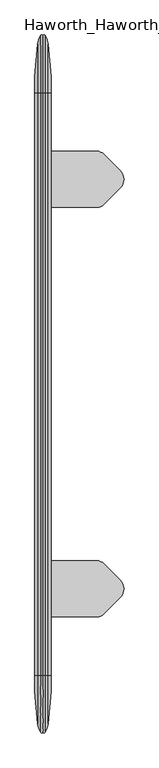
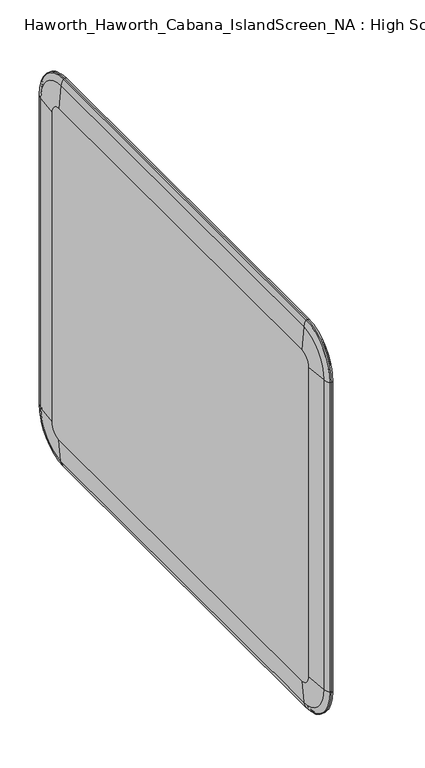
"""IFC4 building model written with IfcOpenShell, lengths in millimetres: furniture geometry, Haworth_Haworth_Cabana_IslandScreen_NA : High Screen."""

import ifcopenshell
import ifcopenshell.guid

model = None  # the IFC model being written
_history = None  # IfcOwnerHistory: only IFC2X3 demands one
_inside = {}  # id of a spatial element -> (the spatial element, [elements in it])
_under = {}  # id of a project, library or spatial element -> (it, [spatial elements below it])
_declared = {}  # id of a project -> (the project, [libraries it declares])
_typed = {}  # id of a type object -> (the type object, [elements of that type])
_made_of = {}  # id of a material, layer set ... -> (it, [elements and type objects made of it])


def new_model(schema):
    """Start an empty IFC model of exactly this schema.

    Asked for "IFC4X3", IfcOpenShell would pick the latest addendum, in which some entities
    have other attributes; the version numbers below select the first issue.
    IFC2X3 requires an IfcOwnerHistory on every rooted entity: one is made here for all.
    """
    global model, _history
    if schema == "IFC4X3":
        model = ifcopenshell.file(schema_version=(4, 3, 0, 0))
    else:
        model = ifcopenshell.file(schema=schema)
    _inside.clear()
    _under.clear()
    _declared.clear()
    _typed.clear()
    _made_of.clear()
    _history = None
    if model.schema == "IFC2X3":
        org = make("IfcOrganization", Name="unknown")
        user = make(
            "IfcPersonAndOrganization",
            ThePerson=make("IfcPerson", FamilyName="unknown"),
            TheOrganization=org,
        )
        app = make(
            "IfcApplication",
            ApplicationDeveloper=org,
            Version="unknown",
            ApplicationFullName="unknown",
            ApplicationIdentifier="unknown",
        )
        _history = make(
            "IfcOwnerHistory",
            OwningUser=user,
            OwningApplication=app,
            ChangeAction="ADDED",
            CreationDate=0,
        )
    return model


def make(cls, **values):
    """One entity of the class cls with the attributes given. An attribute that is None is left unset."""
    return model.create_entity(
        cls, **{name: value for name, value in values.items() if value is not None}
    )


def rooted(cls, **values):
    """An entity with a GlobalId (a new one), such as an element, a storey or a relation."""
    return make(cls, GlobalId=ifcopenshell.guid.new(), OwnerHistory=_history, **values)


def si_unit(unit_type, name, prefix=None):
    """IfcSIUnit, for example si_unit("LENGTHUNIT", "METRE", prefix="MILLI")."""
    return make("IfcSIUnit", UnitType=unit_type, Prefix=prefix, Name=name)


def assignment(units):
    """IfcUnitAssignment: the units of a project."""
    return None if units is None else make("IfcUnitAssignment", Units=units)


def point(xyz):
    """IfcCartesianPoint."""
    return None if xyz is None else make("IfcCartesianPoint", Coordinates=xyz)


def direction(xyz):
    """IfcDirection."""
    return None if xyz is None else make("IfcDirection", DirectionRatios=xyz)


def frame(location, z_axis=None, x_axis=None):
    """IfcAxis2Placement3D, a coordinate frame: its origin and axes. An axis left out is left unset."""
    return make(
        "IfcAxis2Placement3D",
        Location=point(location),
        Axis=direction(z_axis),
        RefDirection=direction(x_axis),
    )


def frame_2d(location, x_axis=None):
    """IfcAxis2Placement2D, a coordinate frame in the plane: its origin and x axis."""
    return make(
        "IfcAxis2Placement2D", Location=point(location), RefDirection=direction(x_axis)
    )


def origin():
    """The frame at (0, 0, 0) with its axes left unset."""
    return frame((0.0, 0.0, 0.0))


def place(relative_to, where):
    """IfcLocalPlacement: puts the frame where relative to a parent placement (None: the world)."""
    return make(
        "IfcLocalPlacement", PlacementRelTo=relative_to, RelativePlacement=where
    )


def context(
    kind, dimensions, precision=None, world=None, true_north=None, identifier=None
):
    """IfcGeometricRepresentationContext, for example the 3D "Model" context."""
    return make(
        "IfcGeometricRepresentationContext",
        ContextIdentifier=identifier,
        ContextType=kind,
        CoordinateSpaceDimension=dimensions,
        Precision=precision,
        WorldCoordinateSystem=world,
        TrueNorth=true_north,
    )


def project(units=None, contexts=None):
    """IfcProject with its units and contexts."""
    return rooted(
        "IfcProject",
        Name="project",
        RepresentationContexts=contexts,
        UnitsInContext=assignment(units),
    )


def spatial(cls, under=None, at=None, **own):
    """A site, building, storey or space (cls), placed at a placement, below another one or the project."""
    s = rooted(cls, ObjectPlacement=at, **own)
    if under is not None:
        _under.setdefault(under.id(), (under, []))[1].append(s)
    return s


def polyline(points):
    """IfcPolyline through the points."""
    return make("IfcPolyline", Points=[point(p) for p in points])


def circle_curve(where, radius):
    """IfcCircle in the frame where."""
    return make("IfcCircle", Position=where, Radius=radius)


def ellipse_curve(where, semi_axis1, semi_axis2):
    """IfcEllipse in the frame where."""
    return make(
        "IfcEllipse", Position=where, SemiAxis1=semi_axis1, SemiAxis2=semi_axis2
    )


def trimmed(basis, trim1, trim2, sense, master):
    """IfcTrimmedCurve: the piece of a basis curve between two trims."""
    return make(
        "IfcTrimmedCurve",
        BasisCurve=basis,
        Trim1=trim1,
        Trim2=trim2,
        SenseAgreement=sense,
        MasterRepresentation=master,
    )


def segment(curve, same_sense, transition):
    """IfcCompositeCurveSegment."""
    return make(
        "IfcCompositeCurveSegment",
        Transition=transition,
        SameSense=same_sense,
        ParentCurve=curve,
    )


def composite_curve(segments, self_intersect=None):
    """IfcCompositeCurve: segments joined end to end."""
    return make("IfcCompositeCurve", Segments=segments, SelfIntersect=self_intersect)


def outline(outer, holes=None, kind="AREA"):
    """IfcArbitraryClosedProfileDef: a profile drawn as a closed curve; with holes, ...WithVoids."""
    if holes is None:
        return make("IfcArbitraryClosedProfileDef", ProfileType=kind, OuterCurve=outer)
    return make(
        "IfcArbitraryProfileDefWithVoids",
        ProfileType=kind,
        OuterCurve=outer,
        InnerCurves=holes,
    )


def extrude(swept, where, along, depth):
    """IfcExtrudedAreaSolid: the profile swept, set in the frame where, extruded along a direction by depth."""
    return make(
        "IfcExtrudedAreaSolid",
        SweptArea=swept,
        Position=where,
        ExtrudedDirection=direction(along),
        Depth=depth,
    )


def shape(context_of_items, identifier, shape_type, items):
    """IfcShapeRepresentation: the items that make up one representation, for example the "Body"."""
    return make(
        "IfcShapeRepresentation",
        ContextOfItems=context_of_items,
        RepresentationIdentifier=identifier,
        RepresentationType=shape_type,
        Items=items,
    )


def source(mapping_origin, context_of_items, identifier, shape_type, items):
    """IfcRepresentationMap: a shape defined once, which mapped items show again and again."""
    return make(
        "IfcRepresentationMap",
        MappingOrigin=mapping_origin,
        MappedRepresentation=shape(context_of_items, identifier, shape_type, items),
    )


def transform(
    local_origin,
    x_axis=None,
    y_axis=None,
    z_axis=None,
    scale=None,
    scale2=None,
    scale3=None,
    uniform=True,
):
    """IfcCartesianTransformationOperator3D, or its non-uniform kind. x_axis, y_axis, z_axis: its Axis1, 2, 3."""
    if uniform:
        return make(
            "IfcCartesianTransformationOperator3D",
            Axis1=direction(x_axis),
            Axis2=direction(y_axis),
            LocalOrigin=point(local_origin),
            Scale=scale,
            Axis3=direction(z_axis),
        )
    return make(
        "IfcCartesianTransformationOperator3DnonUniform",
        Axis1=direction(x_axis),
        Axis2=direction(y_axis),
        LocalOrigin=point(local_origin),
        Scale=scale,
        Axis3=direction(z_axis),
        Scale2=scale2,
        Scale3=scale3,
    )


def mapped(mapping_source, mapping_target):
    """IfcMappedItem: shows the shape of a source again, moved by a transform."""
    return make(
        "IfcMappedItem", MappingSource=mapping_source, MappingTarget=mapping_target
    )


def made_of(thing, what):
    """Note that an element or type object is made of a material, layer set ...; save() writes the relation."""
    if what is not None:
        _made_of.setdefault(what.id(), (what, []))[1].append(thing)
    return thing


def element(
    cls,
    number,
    at=None,
    inside=None,
    cuts=None,
    type_object=None,
    material=None,
    context=None,
    identifier="Body",
    shape_type=None,
    held_by="IfcProductDefinitionShape",
    body=None,
    shapes=None,
    **own,
):
    """One element of the class cls, such as IfcWall. Its Tag is "e" and its number.

    at: its placement. inside: the storey or other place that contains it. cuts: it is an
    opening in that element (IfcRelVoidsElement). A single representation is given by context,
    identifier, shape_type and body (its items); several are given by shapes. held_by: the class
    of the entity that holds the representations. save() writes the other relations.
    """
    e = rooted(cls, Tag="e%d" % number, ObjectPlacement=at, **own)
    if body is not None:
        shapes = [shape(context, identifier, shape_type, body)]
    if shapes is not None:
        e.Representation = make(held_by, Representations=shapes)
    if inside is not None:
        _inside.setdefault(inside.id(), (inside, []))[1].append(e)
    if cuts is not None:
        rooted(
            "IfcRelVoidsElement", RelatingBuildingElement=cuts, RelatedOpeningElement=e
        )
    if type_object is not None:
        _typed.setdefault(type_object.id(), (type_object, []))[1].append(e)
    return made_of(e, material)


def aggregate(whole, parts):
    """IfcRelAggregates: a whole, such as a stair, and the parts it consists of."""
    return rooted("IfcRelAggregates", RelatingObject=whole, RelatedObjects=parts)


def save(model, path):
    """Write the relations noted so far, then the file.

    IfcRelAggregates (storeys below a building ...), IfcRelContainedInSpatialStructure (elements
    in a storey), IfcRelDefinesByType, IfcRelAssociatesMaterial and IfcRelDeclares: one each for
    every whole, place, type object, material and project.
    """
    for whole, parts in _under.values():
        aggregate(whole, parts)
    for where, things in _inside.values():
        rooted(
            "IfcRelContainedInSpatialStructure",
            RelatedElements=things,
            RelatingStructure=where,
        )
    for kind, things in _typed.values():
        rooted("IfcRelDefinesByType", RelatedObjects=things, RelatingType=kind)
    for what, things in _made_of.values():
        rooted("IfcRelAssociatesMaterial", RelatedObjects=things, RelatingMaterial=what)
    for by, libraries in _declared.values():
        rooted("IfcRelDeclares", RelatingContext=by, RelatedDefinitions=libraries)
    model.write(path)


def plane_surface(at):
    """IfcPlane: the flat surface through the origin of the frame at, square to its z axis."""
    return make("IfcPlane", Position=at)


def cylinder_surface(at, radius):
    """IfcCylindricalSurface: all points at the distance radius from the z axis of the frame at."""
    return make("IfcCylindricalSurface", Position=at, Radius=radius)


def revolved_surface(curve, axis_point, axis_direction):
    """IfcSurfaceOfRevolution: the curve turned about the line through axis_point along axis_direction."""
    return make(
        "IfcSurfaceOfRevolution",
        SweptCurve=make("IfcArbitraryOpenProfileDef", ProfileType="CURVE", Curve=curve),
        AxisPosition=make("IfcAxis1Placement", Location=point(axis_point), Axis=direction(axis_direction)),
    )


def advanced_brep(points, edges, surfaces, faces):
    """IfcAdvancedBrep: a solid bounded by faces that lie on surfaces and meet in shared edges.

    An edge is (start, end): straight between two places in points (the first is 0);
    or (start, end, curve); or (start, end, curve, False) where it runs against its curve.
    A face is (place in surfaces, loops), or (place, loops, False) where it looks against
    its surface's normal. A loop lists edges by number (the first is 1), with a minus sign
    where the edge is run from its end to its start. The first loop is the outer one.
    """
    corners = [point(p) for p in points]
    vertices = [make("IfcVertexPoint", VertexGeometry=c) for c in corners]
    made = []
    for start, end, *more in edges:
        made.append(
            make(
                "IfcEdgeCurve",
                EdgeStart=vertices[start],
                EdgeEnd=vertices[end],
                EdgeGeometry=more[0] if more else make("IfcPolyline", Points=[corners[start], corners[end]]),
                SameSense=more[1] if len(more) > 1 else True,
            )
        )
    hull = []
    for where, loops, *sense in faces:
        bounds = []
        for j, loop in enumerate(loops):
            ring = [make("IfcOrientedEdge", EdgeElement=made[abs(k) - 1], Orientation=k > 0) for k in loop]
            bounds.append(
                make(
                    "IfcFaceOuterBound" if j == 0 else "IfcFaceBound",
                    Bound=make("IfcEdgeLoop", EdgeList=ring),
                    Orientation=True,
                )
            )
        hull.append(make("IfcAdvancedFace", Bounds=bounds, FaceSurface=surfaces[where], SameSense=sense[0] if sense else True))
    return make("IfcAdvancedBrep", Outer=make("IfcClosedShell", CfsFaces=hull))


def haworth_haworth_cabana_islandscreen_na_high_screen_97b35205(model_context):
    return source(origin(), model_context, "Body", "SolidModel", [
        extrude(outline(composite_curve([segment(polyline([(406.3007813, 779.0924527), (406.3007813, 889.0924245), (512.8600267, 889.0924245)]), True, "CONTINUOUS"), segment(trimmed(circle_curve(frame_2d((512.8600267, 870.0424245)), 19.05), [point((512.8600267, 889.0924245))], [point((526.3304183, 883.5128013))], False, "CARTESIAN"), True, "CONTINUOUS"), segment(polyline([(526.3304183, 883.5128013), (558.9128097, 850.9303744)]), True, "CONTINUOUS"), segment(trimmed(circle_curve(frame_2d((542.0748202, 834.0924033)), 23.8125), [point((558.9128097, 850.9303744))], [point((558.9127913, 817.2544139))], False, "CARTESIAN"), True, "CONTINUOUS"), segment(polyline([(558.9127913, 817.2544139), (526.330403, 784.6720612)]), True, "CONTINUOUS"), segment(trimmed(circle_curve(frame_2d((512.8600261, 798.1424527)), 19.05), [point((526.330403, 784.6720612))], [point((512.8600261, 779.0924527))], False, "CARTESIAN"), True, "CONTINUOUS"), segment(polyline([(512.8600261, 779.0924527), (406.3007813, 779.0924527)]), True, "CONTINUOUS")], self_intersect=False)), frame((0.0, 0.0, 247.6767607), z_axis=(0.0, 0.0, 1.0), x_axis=(1.0, 0.0, 0.0)), (0.0, 0.0, 1.0), 4.5499948),
        extrude(outline(composite_curve([segment(polyline([(406.3007813, 84.5075473), (512.8600261, 84.5075473)]), True, "CONTINUOUS"), segment(trimmed(circle_curve(frame_2d((512.8600261, 65.4575473)), 19.05), [point((512.8600261, 84.5075473))], [point((526.330403, 78.9279388))], False, "CARTESIAN"), True, "CONTINUOUS"), segment(polyline([(526.330403, 78.9279388), (558.9127913, 46.3455861)]), True, "CONTINUOUS"), segment(trimmed(circle_curve(frame_2d((542.0748202, 29.5075967)), 23.8125), [point((558.9127913, 46.3455861))], [point((558.9128097, 12.6696256))], False, "CARTESIAN"), True, "CONTINUOUS"), segment(polyline([(558.9128097, 12.6696256), (526.3304183, -19.9128013)]), True, "CONTINUOUS"), segment(trimmed(circle_curve(frame_2d((512.8600267, -6.4424245)), 19.05), [point((526.3304183, -19.9128013))], [point((512.8600267, -25.4924245))], False, "CARTESIAN"), True, "CONTINUOUS"), segment(polyline([(512.8600267, -25.4924245), (406.3007813, -25.4924245), (406.3007813, 84.5075473)]), True, "CONTINUOUS")], self_intersect=False)), frame((0.0, 0.0, 247.6767607), z_axis=(0.0, 0.0, 1.0), x_axis=(1.0, 0.0, 0.0)), (0.0, 0.0, 1.0), 4.5499948),
        advanced_brep(
        [(422.2032436, -140.49375, 321.8309887), (422.2032436, 1004.09375, 321.8309887), (422.2032436, 1035.4815113, 353.21875), (422.2032436, 1035.4815113, 1243.80625), (422.2032436, 1004.09375, 1275.1940113), (422.2032436, -140.49375, 1275.1940113), (422.2032436, -171.8815113, 1243.80625), (422.2032436, -171.8815113, 353.21875), (390.3983189, 1004.09375, 321.8309887), (390.3983189, -140.49375, 321.8309887), (390.3983189, -171.8815113, 353.21875), (390.3983189, -171.8815113, 1243.80625), (390.3983189, -140.49375, 1275.1940113), (390.3983189, 1004.09375, 1275.1940113), (390.3983189, 1035.4815113, 1243.80625), (390.3983189, 1035.4815113, 353.21875), (395.8208236, -140.49375, 258.0828687), (395.8208236, 1004.09375, 258.0828687), (402.2147454, 1004.09375, 240.8241155), (402.2147454, -140.49375, 240.8241155), (406.3007813, 1004.09375, 241.205612), (406.3007813, -140.49375, 241.205612), (410.3868171, 1004.09375, 240.8241156), (410.3868171, -140.49375, 240.8241156), (416.7807379, 1004.09375, 258.0828662), (416.7807379, -140.49375, 258.0828662), (395.8208236, -235.6296313, 1243.80625), (395.8208236, -235.6296313, 353.21875), (402.2147454, -252.8883845, 353.21875), (402.2147454, -252.8883845, 1243.80625), (406.3007813, -252.506888, 353.21875), (406.3007813, -252.506888, 1243.80625), (410.3868171, -252.8883844, 353.21875), (410.3868171, -252.8883844, 1243.80625), (416.7807379, -235.6296338, 353.21875), (416.7807379, -235.6296338, 1243.80625), (395.8208236, 1099.2296313, 353.21875), (402.2147454, 1116.4883845, 353.21875), (406.3007813, 1116.106888, 353.21875), (410.3868171, 1116.4883844, 353.21875), (416.7807379, 1099.2296338, 353.21875), (395.8208236, 1099.2296313, 1243.80625), (402.2147454, 1116.4883845, 1243.80625), (406.3007813, 1116.106888, 1243.80625), (410.3868171, 1116.4883844, 1243.80625), (416.7807379, 1099.2296338, 1243.80625), (395.8208236, 1004.09375, 1338.9421313), (402.2147454, 1004.09375, 1356.2008845), (406.3007813, 1004.09375, 1355.819388), (410.3868171, 1004.09375, 1356.2008844), (416.7807379, 1004.09375, 1338.9421338), (395.8208236, -140.49375, 1338.9421313), (402.2147454, -140.49375, 1356.2008845), (406.3007813, -140.49375, 1355.819388), (410.3868171, -140.49375, 1356.2008844), (416.7807379, -140.49375, 1338.9421338)],
        [
            (0, 1),
            (1, 2, circle_curve(frame((422.2032436, 1004.09375, 353.21875), z_axis=(1.0, 0.0, 0.0), x_axis=(0.0, 0.0, -1.0)), 31.3877613)),
            (2, 3),
            (3, 4, circle_curve(frame((422.2032436, 1004.09375, 1243.80625), z_axis=(1.0, 0.0, 0.0), x_axis=(0.0, 1.0, 0.0)), 31.3877613)),
            (4, 5),
            (5, 6, circle_curve(frame((422.2032436, -140.49375, 1243.80625), z_axis=(1.0, 0.0, 0.0), x_axis=(0.0, 0.0, 1.0)), 31.3877613)),
            (6, 7),
            (7, 0, circle_curve(frame((422.2032436, -140.49375, 353.21875), z_axis=(1.0, 0.0, 0.0), x_axis=(0.0, -1.0, 0.0)), 31.3877613)),
            (8, 9),
            (9, 10, circle_curve(frame((390.3983189, -140.49375, 353.21875), z_axis=(-1.0, 0.0, 0.0), x_axis=(0.0, -1.0, 0.0)), 31.3877613)),
            (10, 11),
            (11, 12, circle_curve(frame((390.3983189, -140.49375, 1243.80625), z_axis=(-1.0, 0.0, 0.0), x_axis=(0.0, 0.0, 1.0)), 31.3877613)),
            (12, 13),
            (13, 14, circle_curve(frame((390.3983189, 1004.09375, 1243.80625), z_axis=(-1.0, 0.0, 0.0), x_axis=(0.0, 1.0, 0.0)), 31.3877613)),
            (14, 15),
            (15, 8, circle_curve(frame((390.3983189, 1004.09375, 353.21875), z_axis=(-1.0, 0.0, 0.0), x_axis=(0.0, 0.0, -1.0)), 31.3877613)),
            (16, 9, circle_curve(frame((767.8278137, -140.49375, 321.8309887), z_axis=(0.0, 1.0, 0.0), x_axis=(1.0, 0.0, 0.0)), 377.4294948)),
            (8, 17, circle_curve(frame((767.8278137, 1004.09375, 321.8309887), z_axis=(0.0, -1.0, 0.0), x_axis=(1.0, 0.0, 0.0)), 377.4294948)),
            (17, 16),
            (17, 18, circle_curve(frame((445.1086371, 1004.09375, 266.5289612), z_axis=(0.0, -1.0, 0.0), x_axis=(1.0, 0.0, 0.0)), 50.00625)),
            (18, 19),
            (19, 16, circle_curve(frame((445.1086371, -140.49375, 266.5289612), z_axis=(0.0, 1.0, 0.0), x_axis=(1.0, 0.0, 0.0)), 50.00625)),
            (18, 20, circle_curve(frame((404.1663769, 1004.09375, 241.9936617), z_axis=(0.0, -1.0, 0.0), x_axis=(1.0, 0.0, 0.0)), 2.2752371)),
            (20, 21),
            (21, 19, circle_curve(frame((404.1663769, -140.49375, 241.9936617), z_axis=(0.0, 1.0, 0.0), x_axis=(1.0, 0.0, 0.0)), 2.2752371)),
            (20, 22, circle_curve(frame((408.4351856, 1004.09375, 241.9936617), z_axis=(0.0, -1.0, 0.0), x_axis=(1.0, 0.0, 0.0)), 2.2752371)),
            (22, 23),
            (23, 21, circle_curve(frame((408.4351856, -140.49375, 241.9936617), z_axis=(0.0, 1.0, 0.0), x_axis=(1.0, 0.0, 0.0)), 2.2752371)),
            (22, 24, circle_curve(frame((367.4929246, 1004.09375, 266.5289599), z_axis=(0.0, -1.0, 0.0), x_axis=(1.0, 0.0, 0.0)), 50.00625)),
            (24, 25),
            (25, 23, circle_curve(frame((367.4929246, -140.49375, 266.5289599), z_axis=(0.0, 1.0, 0.0), x_axis=(1.0, 0.0, 0.0)), 50.00625)),
            (24, 1, circle_curve(frame((44.7737879, 1004.09375, 321.8309887), z_axis=(0.0, -1.0, 0.0), x_axis=(1.0, 0.0, 0.0)), 377.4294557)),
            (0, 25, circle_curve(frame((44.7737879, -140.49375, 321.8309887), z_axis=(0.0, 1.0, 0.0), x_axis=(1.0, 0.0, 0.0)), 377.4294557)),
            (26, 11, circle_curve(frame((767.8278137, -171.8815113, 1243.80625), z_axis=(0.0, 0.0, -1.0), x_axis=(1.0, 0.0, 0.0)), 377.4294948)),
            (10, 27, circle_curve(frame((767.8278137, -171.8815113, 353.21875), z_axis=(0.0, 0.0, 1.0), x_axis=(1.0, 0.0, 0.0)), 377.4294948)),
            (27, 26),
            (27, 28, circle_curve(frame((445.1086371, -227.1835388, 353.21875), z_axis=(0.0, 0.0, 1.0), x_axis=(1.0, 0.0, 0.0)), 50.00625)),
            (28, 29),
            (29, 26, circle_curve(frame((445.1086371, -227.1835388, 1243.80625), z_axis=(0.0, 0.0, -1.0), x_axis=(1.0, 0.0, 0.0)), 50.00625)),
            (28, 30, circle_curve(frame((404.1663769, -251.7188383, 353.21875), z_axis=(0.0, 0.0, 1.0), x_axis=(1.0, 0.0, 0.0)), 2.2752371)),
            (30, 31),
            (31, 29, circle_curve(frame((404.1663769, -251.7188383, 1243.80625), z_axis=(0.0, 0.0, -1.0), x_axis=(1.0, 0.0, 0.0)), 2.2752371)),
            (30, 32, circle_curve(frame((408.4351856, -251.7188383, 353.21875), z_axis=(0.0, 0.0, 1.0), x_axis=(1.0, 0.0, 0.0)), 2.2752371)),
            (32, 33),
            (33, 31, circle_curve(frame((408.4351856, -251.7188383, 1243.80625), z_axis=(0.0, 0.0, -1.0), x_axis=(1.0, 0.0, 0.0)), 2.2752371)),
            (32, 34, circle_curve(frame((367.4929246, -227.1835401, 353.21875), z_axis=(0.0, 0.0, 1.0), x_axis=(1.0, 0.0, 0.0)), 50.00625)),
            (34, 35),
            (35, 33, circle_curve(frame((367.4929246, -227.1835401, 1243.80625), z_axis=(0.0, 0.0, -1.0), x_axis=(1.0, 0.0, 0.0)), 50.00625)),
            (34, 7, circle_curve(frame((44.7737879, -171.8815113, 353.21875), z_axis=(0.0, 0.0, 1.0), x_axis=(1.0, 0.0, 0.0)), 377.4294557)),
            (6, 35, circle_curve(frame((44.7737879, -171.8815113, 1243.80625), z_axis=(0.0, 0.0, -1.0), x_axis=(1.0, 0.0, 0.0)), 377.4294557)),
            (16, 27, circle_curve(frame((395.8208236, -140.49375, 353.21875), z_axis=(-1.0, 0.0, 0.0), x_axis=(0.0, -1.0, 0.0)), 95.1358813)),
            (19, 28, circle_curve(frame((402.2147454, -140.49375, 353.21875), z_axis=(-1.0, 0.0, 0.0), x_axis=(0.0, -1.0, 0.0)), 112.3946345)),
            (21, 30, circle_curve(frame((406.3007813, -140.49375, 353.21875), z_axis=(-1.0, 0.0, 0.0), x_axis=(0.0, -1.0, 0.0)), 112.013138)),
            (23, 32, circle_curve(frame((410.3868171, -140.49375, 353.21875), z_axis=(-1.0, 0.0, 0.0), x_axis=(0.0, -1.0, 0.0)), 112.3946344)),
            (25, 34, circle_curve(frame((416.7807379, -140.49375, 353.21875), z_axis=(-1.0, 0.0, 0.0), x_axis=(0.0, -1.0, 0.0)), 95.1358838)),
            (15, 36, circle_curve(frame((767.8278137, 1035.4815113, 353.21875), z_axis=(0.0, 0.0, -1.0), x_axis=(1.0, 0.0, 0.0)), 377.4294948)),
            (36, 17, circle_curve(frame((395.8208236, 1004.09375, 353.21875), z_axis=(-1.0, 0.0, 0.0), x_axis=(0.0, 0.0, -1.0)), 95.1358813)),
            (36, 37, circle_curve(frame((445.1086371, 1090.7835388, 353.21875), z_axis=(0.0, 0.0, -1.0), x_axis=(1.0, 0.0, 0.0)), 50.00625)),
            (37, 18, circle_curve(frame((402.2147454, 1004.09375, 353.21875), z_axis=(-1.0, 0.0, 0.0), x_axis=(0.0, 0.0, -1.0)), 112.3946345)),
            (37, 38, circle_curve(frame((404.1663769, 1115.3188383, 353.21875), z_axis=(0.0, 0.0, -1.0), x_axis=(1.0, 0.0, 0.0)), 2.2752371)),
            (38, 20, circle_curve(frame((406.3007813, 1004.09375, 353.21875), z_axis=(-1.0, 0.0, 0.0), x_axis=(0.0, 0.0, -1.0)), 112.013138)),
            (38, 39, circle_curve(frame((408.4351856, 1115.3188383, 353.21875), z_axis=(0.0, 0.0, -1.0), x_axis=(1.0, 0.0, 0.0)), 2.2752371)),
            (39, 22, circle_curve(frame((410.3868171, 1004.09375, 353.21875), z_axis=(-1.0, 0.0, 0.0), x_axis=(0.0, 0.0, -1.0)), 112.3946344)),
            (39, 40, circle_curve(frame((367.4929246, 1090.7835401, 353.21875), z_axis=(0.0, 0.0, -1.0), x_axis=(1.0, 0.0, 0.0)), 50.00625)),
            (40, 24, circle_curve(frame((416.7807379, 1004.09375, 353.21875), z_axis=(-1.0, 0.0, 0.0), x_axis=(0.0, 0.0, -1.0)), 95.1358838)),
            (40, 2, circle_curve(frame((44.7737879, 1035.4815113, 353.21875), z_axis=(0.0, 0.0, -1.0), x_axis=(1.0, 0.0, 0.0)), 377.4294557)),
            (14, 41, circle_curve(frame((767.8278137, 1035.4815113, 1243.80625), z_axis=(0.0, 0.0, -1.0), x_axis=(1.0, 0.0, 0.0)), 377.4294948)),
            (41, 36),
            (41, 42, circle_curve(frame((445.1086371, 1090.7835388, 1243.80625), z_axis=(0.0, 0.0, -1.0), x_axis=(1.0, 0.0, 0.0)), 50.00625)),
            (42, 37),
            (42, 43, circle_curve(frame((404.1663769, 1115.3188383, 1243.80625), z_axis=(0.0, 0.0, -1.0), x_axis=(1.0, 0.0, 0.0)), 2.2752371)),
            (43, 38),
            (43, 44, circle_curve(frame((408.4351856, 1115.3188383, 1243.80625), z_axis=(0.0, 0.0, -1.0), x_axis=(1.0, 0.0, 0.0)), 2.2752371)),
            (44, 39),
            (44, 45, circle_curve(frame((367.4929246, 1090.7835401, 1243.80625), z_axis=(0.0, 0.0, -1.0), x_axis=(1.0, 0.0, 0.0)), 50.00625)),
            (45, 40),
            (45, 3, circle_curve(frame((44.7737879, 1035.4815113, 1243.80625), z_axis=(0.0, 0.0, -1.0), x_axis=(1.0, 0.0, 0.0)), 377.4294557)),
            (13, 46, circle_curve(frame((767.8278137, 1004.09375, 1275.1940113), z_axis=(0.0, 1.0, 0.0), x_axis=(1.0, 0.0, 0.0)), 377.4294948)),
            (46, 41, circle_curve(frame((395.8208236, 1004.09375, 1243.80625), z_axis=(-1.0, 0.0, 0.0), x_axis=(0.0, 1.0, 0.0)), 95.1358813)),
            (46, 47, circle_curve(frame((445.1086371, 1004.09375, 1330.4960388), z_axis=(0.0, 1.0, 0.0), x_axis=(1.0, 0.0, 0.0)), 50.00625)),
            (47, 42, circle_curve(frame((402.2147454, 1004.09375, 1243.80625), z_axis=(-1.0, 0.0, 0.0), x_axis=(0.0, 1.0, 0.0)), 112.3946345)),
            (47, 48, circle_curve(frame((404.1663769, 1004.09375, 1355.0313383), z_axis=(0.0, 1.0, 0.0), x_axis=(1.0, 0.0, 0.0)), 2.2752371)),
            (48, 43, circle_curve(frame((406.3007813, 1004.09375, 1243.80625), z_axis=(-1.0, 0.0, 0.0), x_axis=(0.0, 1.0, 0.0)), 112.013138)),
            (48, 49, circle_curve(frame((408.4351856, 1004.09375, 1355.0313383), z_axis=(0.0, 1.0, 0.0), x_axis=(1.0, 0.0, 0.0)), 2.2752371)),
            (49, 44, circle_curve(frame((410.3868171, 1004.09375, 1243.80625), z_axis=(-1.0, 0.0, 0.0), x_axis=(0.0, 1.0, 0.0)), 112.3946344)),
            (49, 50, circle_curve(frame((367.4929246, 1004.09375, 1330.4960401), z_axis=(0.0, 1.0, 0.0), x_axis=(1.0, 0.0, 0.0)), 50.00625)),
            (50, 45, circle_curve(frame((416.7807379, 1004.09375, 1243.80625), z_axis=(-1.0, 0.0, 0.0), x_axis=(0.0, 1.0, 0.0)), 95.1358838)),
            (50, 4, circle_curve(frame((44.7737879, 1004.09375, 1275.1940113), z_axis=(0.0, 1.0, 0.0), x_axis=(1.0, 0.0, 0.0)), 377.4294557)),
            (12, 51, circle_curve(frame((767.8278137, -140.49375, 1275.1940113), z_axis=(0.0, 1.0, 0.0), x_axis=(1.0, 0.0, 0.0)), 377.4294948)),
            (51, 46),
            (51, 52, circle_curve(frame((445.1086371, -140.49375, 1330.4960388), z_axis=(0.0, 1.0, 0.0), x_axis=(1.0, 0.0, 0.0)), 50.00625)),
            (52, 47),
            (52, 53, circle_curve(frame((404.1663769, -140.49375, 1355.0313383), z_axis=(0.0, 1.0, 0.0), x_axis=(1.0, 0.0, 0.0)), 2.2752371)),
            (53, 48),
            (53, 54, circle_curve(frame((408.4351856, -140.49375, 1355.0313383), z_axis=(0.0, 1.0, 0.0), x_axis=(1.0, 0.0, 0.0)), 2.2752371)),
            (54, 49),
            (54, 55, circle_curve(frame((367.4929246, -140.49375, 1330.4960401), z_axis=(0.0, 1.0, 0.0), x_axis=(1.0, 0.0, 0.0)), 50.00625)),
            (55, 50),
            (55, 5, circle_curve(frame((44.7737879, -140.49375, 1275.1940113), z_axis=(0.0, 1.0, 0.0), x_axis=(1.0, 0.0, 0.0)), 377.4294557)),
            (26, 51, circle_curve(frame((395.8208236, -140.49375, 1243.80625), z_axis=(-1.0, 0.0, 0.0), x_axis=(0.0, 0.0, 1.0)), 95.1358813)),
            (29, 52, circle_curve(frame((402.2147454, -140.49375, 1243.80625), z_axis=(-1.0, 0.0, 0.0), x_axis=(0.0, 0.0, 1.0)), 112.3946345)),
            (31, 53, circle_curve(frame((406.3007813, -140.49375, 1243.80625), z_axis=(-1.0, 0.0, 0.0), x_axis=(0.0, 0.0, 1.0)), 112.013138)),
            (33, 54, circle_curve(frame((410.3868171, -140.49375, 1243.80625), z_axis=(-1.0, 0.0, 0.0), x_axis=(0.0, 0.0, 1.0)), 112.3946344)),
            (35, 55, circle_curve(frame((416.7807379, -140.49375, 1243.80625), z_axis=(-1.0, 0.0, 0.0), x_axis=(0.0, 0.0, 1.0)), 95.1358838)),
        ],
        [
            plane_surface(frame((422.2032436, 1029.49375, 353.21875), z_axis=(1.0, 0.0, 0.0), x_axis=(0.0, 0.0, 1.0))),
            plane_surface(frame((390.3983189, 1029.49375, 353.21875), z_axis=(-1.0, 0.0, 0.0), x_axis=(0.0, 0.0, -1.0))),
            cylinder_surface(frame((767.8278137, -140.49375, 321.8309887), z_axis=(0.0, -1.0, 0.0), x_axis=(1.0, 0.0, 0.0)), 377.4294948),
            cylinder_surface(frame((445.1086371, -140.49375, 266.5289612), z_axis=(0.0, -1.0, 0.0), x_axis=(1.0, 0.0, 0.0)), 50.00625),
            cylinder_surface(frame((404.1663769, -140.49375, 241.9936617), z_axis=(0.0, -1.0, 0.0), x_axis=(1.0, 0.0, 0.0)), 2.2752371),
            cylinder_surface(frame((408.4351856, -140.49375, 241.9936617), z_axis=(0.0, -1.0, 0.0), x_axis=(1.0, 0.0, 0.0)), 2.2752371),
            cylinder_surface(frame((367.4929246, -140.49375, 266.5289599), z_axis=(0.0, -1.0, 0.0), x_axis=(1.0, 0.0, 0.0)), 50.00625),
            cylinder_surface(frame((44.7737879, -140.49375, 321.8309887), z_axis=(0.0, -1.0, 0.0), x_axis=(1.0, 0.0, 0.0)), 377.4294557),
            cylinder_surface(frame((767.8278137, -171.8815113, 1243.80625), z_axis=(0.0, 0.0, 1.0), x_axis=(1.0, 0.0, 0.0)), 377.4294948),
            cylinder_surface(frame((445.1086371, -227.1835388, 1243.80625), z_axis=(0.0, 0.0, 1.0), x_axis=(1.0, 0.0, 0.0)), 50.00625),
            cylinder_surface(frame((404.1663769, -251.7188383, 1243.80625), z_axis=(0.0, 0.0, 1.0), x_axis=(1.0, 0.0, 0.0)), 2.2752371),
            cylinder_surface(frame((408.4351856, -251.7188383, 1243.80625), z_axis=(0.0, 0.0, 1.0), x_axis=(1.0, 0.0, 0.0)), 2.2752371),
            cylinder_surface(frame((367.4929246, -227.1835401, 1243.80625), z_axis=(0.0, 0.0, 1.0), x_axis=(1.0, 0.0, 0.0)), 50.00625),
            cylinder_surface(frame((44.7737879, -171.8815113, 1243.80625), z_axis=(0.0, 0.0, 1.0), x_axis=(1.0, 0.0, 0.0)), 377.4294557),
            revolved_surface(trimmed(ellipse_curve(frame((767.8278137, -171.8815113, 353.21875), z_axis=(0.0, 0.0, 1.0), x_axis=(1.0, 0.0, 0.0)), 377.4294948, 377.4294948), [point((390.3983189, -171.8815113, 353.21875))], [point((395.8208236, -235.6296313, 353.21875))], True, "CARTESIAN"), (422.2032436, -140.49375, 353.21875), (1.0, 0.0, 0.0)),
            revolved_surface(trimmed(ellipse_curve(frame((445.1086371, -227.1835388, 353.21875), z_axis=(0.0, 0.0, 1.0), x_axis=(1.0, 0.0, 0.0)), 50.00625, 50.00625), [point((395.8208236, -235.6296313, 353.21875))], [point((402.2147454, -252.8883845, 353.21875))], True, "CARTESIAN"), (422.2032436, -140.49375, 353.21875), (1.0, 0.0, 0.0)),
            revolved_surface(trimmed(ellipse_curve(frame((404.1663769, -251.7188383, 353.21875), z_axis=(0.0, 0.0, 1.0), x_axis=(1.0, 0.0, 0.0)), 2.2752371, 2.2752371), [point((402.2147454, -252.8883845, 353.21875))], [point((406.3007813, -252.506888, 353.21875))], True, "CARTESIAN"), (422.2032436, -140.49375, 353.21875), (1.0, 0.0, 0.0)),
            revolved_surface(trimmed(ellipse_curve(frame((408.4351856, -251.7188383, 353.21875), z_axis=(0.0, 0.0, 1.0), x_axis=(1.0, 0.0, 0.0)), 2.2752371, 2.2752371), [point((406.3007813, -252.506888, 353.21875))], [point((410.3868171, -252.8883844, 353.21875))], True, "CARTESIAN"), (422.2032436, -140.49375, 353.21875), (1.0, 0.0, 0.0)),
            revolved_surface(trimmed(ellipse_curve(frame((367.4929246, -227.1835401, 353.21875), z_axis=(0.0, 0.0, 1.0), x_axis=(1.0, 0.0, 0.0)), 50.00625, 50.00625), [point((410.3868171, -252.8883844, 353.21875))], [point((416.7807379, -235.6296338, 353.21875))], True, "CARTESIAN"), (422.2032436, -140.49375, 353.21875), (1.0, 0.0, 0.0)),
            revolved_surface(trimmed(ellipse_curve(frame((44.7737879, -171.8815113, 353.21875), z_axis=(0.0, 0.0, 1.0), x_axis=(1.0, 0.0, 0.0)), 377.4294557, 377.4294557), [point((416.7807379, -235.6296338, 353.21875))], [point((422.2032436, -171.8815113, 353.21875))], True, "CARTESIAN"), (422.2032436, -140.49375, 353.21875), (1.0, 0.0, 0.0)),
            revolved_surface(trimmed(ellipse_curve(frame((767.8278137, 1004.09375, 321.8309887), z_axis=(0.0, -1.0, 0.0), x_axis=(1.0, 0.0, 0.0)), 377.4294948, 377.4294948), [point((390.3983189, 1004.09375, 321.8309887))], [point((395.8208236, 1004.09375, 258.0828687))], True, "CARTESIAN"), (422.2032436, 1004.09375, 353.21875), (1.0, 0.0, 0.0)),
            revolved_surface(trimmed(ellipse_curve(frame((445.1086371, 1004.09375, 266.5289612), z_axis=(0.0, -1.0, 0.0), x_axis=(1.0, 0.0, 0.0)), 50.00625, 50.00625), [point((395.8208236, 1004.09375, 258.0828687))], [point((402.2147454, 1004.09375, 240.8241155))], True, "CARTESIAN"), (422.2032436, 1004.09375, 353.21875), (1.0, 0.0, 0.0)),
            revolved_surface(trimmed(ellipse_curve(frame((404.1663769, 1004.09375, 241.9936617), z_axis=(0.0, -1.0, 0.0), x_axis=(1.0, 0.0, 0.0)), 2.2752371, 2.2752371), [point((402.2147454, 1004.09375, 240.8241155))], [point((406.3007813, 1004.09375, 241.205612))], True, "CARTESIAN"), (422.2032436, 1004.09375, 353.21875), (1.0, 0.0, 0.0)),
            revolved_surface(trimmed(ellipse_curve(frame((408.4351856, 1004.09375, 241.9936617), z_axis=(0.0, -1.0, 0.0), x_axis=(1.0, 0.0, 0.0)), 2.2752371, 2.2752371), [point((406.3007813, 1004.09375, 241.205612))], [point((410.3868171, 1004.09375, 240.8241156))], True, "CARTESIAN"), (422.2032436, 1004.09375, 353.21875), (1.0, 0.0, 0.0)),
            revolved_surface(trimmed(ellipse_curve(frame((367.4929246, 1004.09375, 266.5289599), z_axis=(0.0, -1.0, 0.0), x_axis=(1.0, 0.0, 0.0)), 50.00625, 50.00625), [point((410.3868171, 1004.09375, 240.8241156))], [point((416.7807379, 1004.09375, 258.0828662))], True, "CARTESIAN"), (422.2032436, 1004.09375, 353.21875), (1.0, 0.0, 0.0)),
            revolved_surface(trimmed(ellipse_curve(frame((44.7737879, 1004.09375, 321.8309887), z_axis=(0.0, -1.0, 0.0), x_axis=(1.0, 0.0, 0.0)), 377.4294557, 377.4294557), [point((416.7807379, 1004.09375, 258.0828662))], [point((422.2032436, 1004.09375, 321.8309887))], True, "CARTESIAN"), (422.2032436, 1004.09375, 353.21875), (1.0, 0.0, 0.0)),
            cylinder_surface(frame((767.8278137, 1035.4815113, 353.21875), z_axis=(0.0, 0.0, -1.0), x_axis=(1.0, 0.0, 0.0)), 377.4294948),
            cylinder_surface(frame((445.1086371, 1090.7835388, 353.21875), z_axis=(0.0, 0.0, -1.0), x_axis=(1.0, 0.0, 0.0)), 50.00625),
            cylinder_surface(frame((404.1663769, 1115.3188383, 353.21875), z_axis=(0.0, 0.0, -1.0), x_axis=(1.0, 0.0, 0.0)), 2.2752371),
            cylinder_surface(frame((408.4351856, 1115.3188383, 353.21875), z_axis=(0.0, 0.0, -1.0), x_axis=(1.0, 0.0, 0.0)), 2.2752371),
            cylinder_surface(frame((367.4929246, 1090.7835401, 353.21875), z_axis=(0.0, 0.0, -1.0), x_axis=(1.0, 0.0, 0.0)), 50.00625),
            cylinder_surface(frame((44.7737879, 1035.4815113, 353.21875), z_axis=(0.0, 0.0, -1.0), x_axis=(1.0, 0.0, 0.0)), 377.4294557),
            revolved_surface(trimmed(ellipse_curve(frame((767.8278137, 1035.4815113, 1243.80625), z_axis=(0.0, 0.0, -1.0), x_axis=(1.0, 0.0, 0.0)), 377.4294948, 377.4294948), [point((390.3983189, 1035.4815113, 1243.80625))], [point((395.8208236, 1099.2296313, 1243.80625))], True, "CARTESIAN"), (422.2032436, 1004.09375, 1243.80625), (1.0, 0.0, 0.0)),
            revolved_surface(trimmed(ellipse_curve(frame((445.1086371, 1090.7835388, 1243.80625), z_axis=(0.0, 0.0, -1.0), x_axis=(1.0, 0.0, 0.0)), 50.00625, 50.00625), [point((395.8208236, 1099.2296313, 1243.80625))], [point((402.2147454, 1116.4883845, 1243.80625))], True, "CARTESIAN"), (422.2032436, 1004.09375, 1243.80625), (1.0, 0.0, 0.0)),
            revolved_surface(trimmed(ellipse_curve(frame((404.1663769, 1115.3188383, 1243.80625), z_axis=(0.0, 0.0, -1.0), x_axis=(1.0, 0.0, 0.0)), 2.2752371, 2.2752371), [point((402.2147454, 1116.4883845, 1243.80625))], [point((406.3007813, 1116.106888, 1243.80625))], True, "CARTESIAN"), (422.2032436, 1004.09375, 1243.80625), (1.0, 0.0, 0.0)),
            revolved_surface(trimmed(ellipse_curve(frame((408.4351856, 1115.3188383, 1243.80625), z_axis=(0.0, 0.0, -1.0), x_axis=(1.0, 0.0, 0.0)), 2.2752371, 2.2752371), [point((406.3007813, 1116.106888, 1243.80625))], [point((410.3868171, 1116.4883844, 1243.80625))], True, "CARTESIAN"), (422.2032436, 1004.09375, 1243.80625), (1.0, 0.0, 0.0)),
            revolved_surface(trimmed(ellipse_curve(frame((367.4929246, 1090.7835401, 1243.80625), z_axis=(0.0, 0.0, -1.0), x_axis=(1.0, 0.0, 0.0)), 50.00625, 50.00625), [point((410.3868171, 1116.4883844, 1243.80625))], [point((416.7807379, 1099.2296338, 1243.80625))], True, "CARTESIAN"), (422.2032436, 1004.09375, 1243.80625), (1.0, 0.0, 0.0)),
            revolved_surface(trimmed(ellipse_curve(frame((44.7737879, 1035.4815113, 1243.80625), z_axis=(0.0, 0.0, -1.0), x_axis=(1.0, 0.0, 0.0)), 377.4294557, 377.4294557), [point((416.7807379, 1099.2296338, 1243.80625))], [point((422.2032436, 1035.4815113, 1243.80625))], True, "CARTESIAN"), (422.2032436, 1004.09375, 1243.80625), (1.0, 0.0, 0.0)),
            cylinder_surface(frame((767.8278137, 1004.09375, 1275.1940113), z_axis=(0.0, 1.0, 0.0), x_axis=(1.0, 0.0, 0.0)), 377.4294948),
            cylinder_surface(frame((445.1086371, 1004.09375, 1330.4960388), z_axis=(0.0, 1.0, 0.0), x_axis=(1.0, 0.0, 0.0)), 50.00625),
            cylinder_surface(frame((404.1663769, 1004.09375, 1355.0313383), z_axis=(0.0, 1.0, 0.0), x_axis=(1.0, 0.0, 0.0)), 2.2752371),
            cylinder_surface(frame((408.4351856, 1004.09375, 1355.0313383), z_axis=(0.0, 1.0, 0.0), x_axis=(1.0, 0.0, 0.0)), 2.2752371),
            cylinder_surface(frame((367.4929246, 1004.09375, 1330.4960401), z_axis=(0.0, 1.0, 0.0), x_axis=(1.0, 0.0, 0.0)), 50.00625),
            cylinder_surface(frame((44.7737879, 1004.09375, 1275.1940113), z_axis=(0.0, 1.0, 0.0), x_axis=(1.0, 0.0, 0.0)), 377.4294557),
            revolved_surface(trimmed(ellipse_curve(frame((767.8278137, -140.49375, 1275.1940113), z_axis=(0.0, 1.0, 0.0), x_axis=(1.0, 0.0, 0.0)), 377.4294948, 377.4294948), [point((390.3983189, -140.49375, 1275.1940113))], [point((395.8208236, -140.49375, 1338.9421313))], True, "CARTESIAN"), (422.2032436, -140.49375, 1243.80625), (1.0, 0.0, 0.0)),
            revolved_surface(trimmed(ellipse_curve(frame((445.1086371, -140.49375, 1330.4960388), z_axis=(0.0, 1.0, 0.0), x_axis=(1.0, 0.0, 0.0)), 50.00625, 50.00625), [point((395.8208236, -140.49375, 1338.9421313))], [point((402.2147454, -140.49375, 1356.2008845))], True, "CARTESIAN"), (422.2032436, -140.49375, 1243.80625), (1.0, 0.0, 0.0)),
            revolved_surface(trimmed(ellipse_curve(frame((404.1663769, -140.49375, 1355.0313383), z_axis=(0.0, 1.0, 0.0), x_axis=(1.0, 0.0, 0.0)), 2.2752371, 2.2752371), [point((402.2147454, -140.49375, 1356.2008845))], [point((406.3007813, -140.49375, 1355.819388))], True, "CARTESIAN"), (422.2032436, -140.49375, 1243.80625), (1.0, 0.0, 0.0)),
            revolved_surface(trimmed(ellipse_curve(frame((408.4351856, -140.49375, 1355.0313383), z_axis=(0.0, 1.0, 0.0), x_axis=(1.0, 0.0, 0.0)), 2.2752371, 2.2752371), [point((406.3007813, -140.49375, 1355.819388))], [point((410.3868171, -140.49375, 1356.2008844))], True, "CARTESIAN"), (422.2032436, -140.49375, 1243.80625), (1.0, 0.0, 0.0)),
            revolved_surface(trimmed(ellipse_curve(frame((367.4929246, -140.49375, 1330.4960401), z_axis=(0.0, 1.0, 0.0), x_axis=(1.0, 0.0, 0.0)), 50.00625, 50.00625), [point((410.3868171, -140.49375, 1356.2008844))], [point((416.7807379, -140.49375, 1338.9421338))], True, "CARTESIAN"), (422.2032436, -140.49375, 1243.80625), (1.0, 0.0, 0.0)),
            revolved_surface(trimmed(ellipse_curve(frame((44.7737879, -140.49375, 1275.1940113), z_axis=(0.0, 1.0, 0.0), x_axis=(1.0, 0.0, 0.0)), 377.4294557, 377.4294557), [point((416.7807379, -140.49375, 1338.9421338))], [point((422.2032436, -140.49375, 1275.1940113))], True, "CARTESIAN"), (422.2032436, -140.49375, 1243.80625), (1.0, 0.0, 0.0)),
        ],
        [
            (0, [[1, 2, 3, 4, 5, 6, 7, 8]]),
            (1, [[9, 10, 11, 12, 13, 14, 15, 16]]),
            (2, [[17, -9, 18, 19]]),
            (3, [[-19, 20, 21, 22]]),
            (4, [[-21, 23, 24, 25]]),
            (5, [[-24, 26, 27, 28]]),
            (6, [[-27, 29, 30, 31]]),
            (7, [[-30, 32, -1, 33]]),
            (8, [[34, -11, 35, 36]]),
            (9, [[-36, 37, 38, 39]]),
            (10, [[-38, 40, 41, 42]]),
            (11, [[-41, 43, 44, 45]]),
            (12, [[-44, 46, 47, 48]]),
            (13, [[-47, 49, -7, 50]]),
            (14, [[-17, 51, -35, -10]]),
            (15, [[-22, 52, -37, -51]]),
            (16, [[-25, 53, -40, -52]]),
            (17, [[-28, 54, -43, -53]]),
            (18, [[-31, 55, -46, -54]]),
            (19, [[-33, -8, -49, -55]]),
            (20, [[-18, -16, 56, 57]]),
            (21, [[-20, -57, 58, 59]]),
            (22, [[-23, -59, 60, 61]]),
            (23, [[-26, -61, 62, 63]]),
            (24, [[-29, -63, 64, 65]]),
            (25, [[-32, -65, 66, -2]]),
            (26, [[-56, -15, 67, 68]]),
            (27, [[-58, -68, 69, 70]]),
            (28, [[-60, -70, 71, 72]]),
            (29, [[-62, -72, 73, 74]]),
            (30, [[-64, -74, 75, 76]]),
            (31, [[-66, -76, 77, -3]]),
            (32, [[-67, -14, 78, 79]]),
            (33, [[-69, -79, 80, 81]]),
            (34, [[-71, -81, 82, 83]]),
            (35, [[-73, -83, 84, 85]]),
            (36, [[-75, -85, 86, 87]]),
            (37, [[-77, -87, 88, -4]]),
            (38, [[-78, -13, 89, 90]]),
            (39, [[-80, -90, 91, 92]]),
            (40, [[-82, -92, 93, 94]]),
            (41, [[-84, -94, 95, 96]]),
            (42, [[-86, -96, 97, 98]]),
            (43, [[-88, -98, 99, -5]]),
            (44, [[-34, 100, -89, -12]]),
            (45, [[-39, 101, -91, -100]]),
            (46, [[-42, 102, -93, -101]]),
            (47, [[-45, 103, -95, -102]]),
            (48, [[-48, 104, -97, -103]]),
            (49, [[-50, -6, -99, -104]]),
        ],
    ),
    ])


if __name__ == "__main__":
    model = new_model("IFC4")
    model_context = context("Model", 3, world=origin())
    ifc_project = project(units=[si_unit("LENGTHUNIT", "METRE", prefix="MILLI")], contexts=[model_context])
    site = spatial("IfcSite", under=ifc_project)
    building = spatial("IfcBuilding", under=site)
    placement = place(None, origin())
    haworth_haworth_cabana_islandscreen_na_high_screen_shape = haworth_haworth_cabana_islandscreen_na_high_screen_97b35205(model_context)
    element("IfcFurniture", 1, ObjectType="Haworth_Haworth_Cabana_IslandScreen_NA : High Screen", at=placement, inside=building, context=model_context, shape_type="MappedRepresentation", body=[
        mapped(haworth_haworth_cabana_islandscreen_na_high_screen_shape, transform((0.0, 0.0, 0.0), x_axis=(1.0, 0.0, 0.0), y_axis=(0.0, 1.0, 0.0), z_axis=(0.0, 0.0, 1.0))),
    ])
    save(model, "model.ifc")
